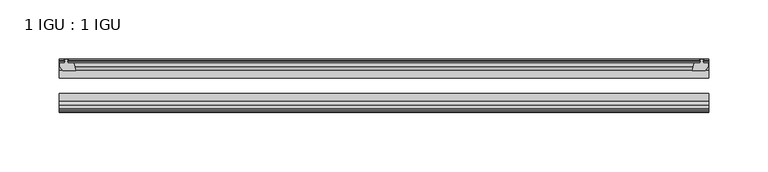
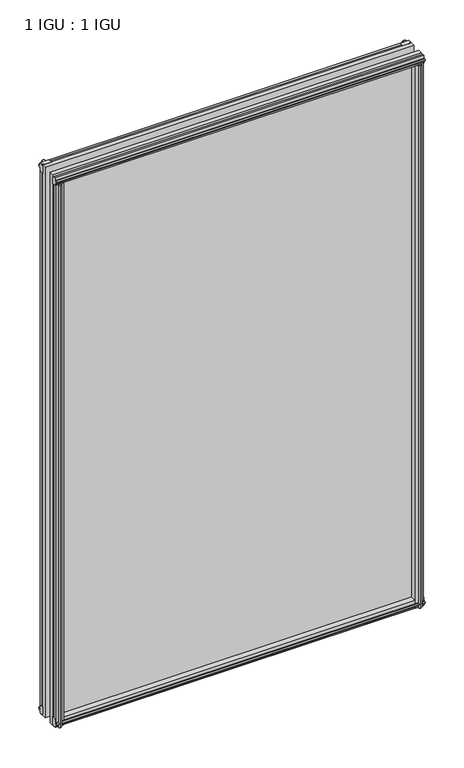
"""IFC4 building model written with IfcOpenShell, lengths in millimetres: plate geometry, 1 IGU : 1 IGU."""

from ifc_helpers import new_model, si_unit, frame, origin, place, context, project, spatial, polyline, outline, extrude, source, transform, mapped, element, save


def plate_1_igu_1_igu_304b6169(model_context):
    return source(origin(), model_context, "Body", "SweptSolid", [
        extrude(outline(polyline([(265.8151775, -10.4746158), (267.9927066, -9.7670938), (270.1702356, -10.4746158), (270.1702356, -11.27583), (268.7547066, -10.8158968), (269.1357066, -13.1960938), (273.5807066, -13.1960938), (273.5807066, -16.1424938), (270.7463644, -19.5460938), (259.9249885, -19.5460938), (261.6427066, -13.1960938), (266.8497066, -13.1960938), (267.2307066, -10.8158968), (265.8151775, -11.27583), (265.8151775, -10.4746158)])), frame((0.0, 0.0, -12.4587), z_axis=(0.0, 0.0, 1.0), x_axis=(1.0, 0.0, 0.0)), (0.0, 0.0, 1.0), 863.1174001),
        extrude(outline(polyline([(-267.9927066, -9.7670937), (-265.8151775, -10.4746158), (-265.8151775, -11.27583), (-267.2307066, -10.8158968), (-266.8497066, -13.1960937), (-261.6427066, -13.1960937), (-259.9249885, -19.5460937), (-270.7463644, -19.5460937), (-273.5807066, -16.1424937), (-273.5807066, -13.1960937), (-269.1357066, -13.1960937), (-268.7547066, -10.8158968), (-270.1702356, -11.27583), (-270.1702356, -10.4746158), (-267.9927066, -9.7670937)])), frame((0.0, 0.0, -12.4587), z_axis=(0.0, 0.0, 1.0), x_axis=(1.0, 0.0, 0.0)), (0.0, 0.0, 1.0), 863.1174001),
        extrude(outline(polyline([(259.4075905, -44.9460938), (270.2289664, -44.9460938), (273.0633085, -48.3496938), (273.0633085, -51.2960938), (268.6183085, -51.2960938), (268.2373085, -53.6762907), (269.6528376, -53.2163575), (269.6528376, -54.0175717), (267.4753085, -54.7250938), (265.2977795, -54.0175717), (265.2977795, -53.2163575), (266.7133085, -53.6762907), (266.3323085, -51.2960938), (261.1253085, -51.2960938), (259.4075905, -44.9460938)])), frame((0.0, 0.0, -12.4587), z_axis=(0.0, 0.0, 1.0), x_axis=(1.0, 0.0, 0.0)), (0.0, 0.0, 1.0), 850.4174001),
        extrude(outline(polyline([(-259.4042885, -44.9460937), (-261.1220066, -51.2960937), (-266.3290066, -51.2960937), (-266.7100066, -53.6762907), (-265.2944775, -53.2163575), (-265.2944775, -54.0175717), (-267.4720066, -54.7250937), (-269.6495356, -54.0175717), (-269.6495356, -53.2163575), (-268.2340066, -53.6762907), (-268.6150066, -51.2960937), (-273.0600066, -51.2960937), (-273.0600066, -48.3496937), (-270.2256644, -44.9460937), (-259.4042885, -44.9460937)])), frame((0.0, 0.0, -12.4587), z_axis=(0.0, 0.0, 1.0), x_axis=(1.0, 0.0, 0.0)), (0.0, 0.0, 1.0), 850.4174001),
        extrude(outline(polyline([(-10.4746158, -4.6931709), (-9.7670937, -6.8707), (-10.4746158, -9.0482291), (-11.27583, -9.0482291), (-10.8158968, -7.6327), (-13.1960937, -8.0137), (-13.1960937, -12.4587), (-16.1424937, -12.4587), (-19.5460937, -9.6243578), (-19.5460937, 1.1970181), (-13.1960937, -0.5207), (-13.1960937, -5.7277), (-10.8158968, -6.1087), (-11.27583, -4.6931709), (-10.4746158, -4.6931709)])), frame((-273.8220066, 0.0, 0.0), z_axis=(1.0, 0.0, 0.0), x_axis=(0.0, 1.0, 0.0)), (0.0, 0.0, 1.0), 547.6440131),
        extrude(outline(polyline([(-44.9460937, 1.7177181), (-44.9460937, -9.1036578), (-48.3496937, -11.938), (-51.2960937, -11.938), (-51.2960937, -7.493), (-53.6762907, -7.112), (-53.2163575, -8.5275291), (-54.0175717, -8.5275291), (-54.7250937, -6.35), (-54.0175717, -4.1724709), (-53.2163575, -4.1724709), (-53.6762907, -5.588), (-51.2960937, -5.207), (-51.2960937, 0.0), (-44.9460937, 1.7177181)])), frame((-273.8220066, 0.0, 0.0), z_axis=(1.0, 0.0, 0.0), x_axis=(0.0, 1.0, 0.0)), (0.0, 0.0, 1.0), 547.6440131),
        extrude(outline(polyline([(-10.8158968, 845.8327001), (-11.27583, 847.2482291), (-10.4746158, 847.2482291), (-9.7670937, 845.0707001), (-10.4746158, 842.893171), (-11.27583, 842.893171), (-10.8158968, 844.3087001), (-13.1960937, 843.9277001), (-13.1960937, 838.7207001), (-19.5460938, 837.002982), (-19.5460938, 847.8243579), (-16.1424937, 850.6587001), (-13.1960937, 850.6587001), (-13.1960937, 846.2137001), (-10.8158968, 845.8327001)])), frame((-273.8220066, 0.0, 0.0), z_axis=(1.0, 0.0, 0.0), x_axis=(0.0, 1.0, 0.0)), (0.0, 0.0, 1.0), 547.6440131),
        extrude(outline(polyline([(-51.2960937, 850.1380001), (-48.3496937, 850.1380001), (-44.9460938, 847.3036579), (-44.9460938, 836.482282), (-51.2960937, 838.2000001), (-51.2960937, 843.4070001), (-53.6762907, 843.7880001), (-53.2163575, 842.372471), (-54.0175717, 842.372471), (-54.7250937, 844.5500001), (-54.0175717, 846.7275291), (-53.2163575, 846.7275291), (-53.6762907, 845.3120001), (-51.2960937, 845.6930001), (-51.2960937, 850.1380001)])), frame((-273.8220066, 0.0, 0.0), z_axis=(1.0, 0.0, 0.0), x_axis=(0.0, 1.0, 0.0)), (0.0, 0.0, 1.0), 547.6440131),
        extrude(outline(polyline([(-273.8220066, -38.9186738), (273.8220066, -38.9186738), (273.8220066, -44.9460937), (-273.8220066, -44.9460937), (-273.8220066, -38.9186738)])), frame((0.0, 0.0, -12.7), z_axis=(0.0, 0.0, 1.0), x_axis=(1.0, 0.0, 0.0)), (0.0, 0.0, 1.0), 863.6000001),
        extrude(outline(polyline([(-273.8220066, -19.5460937), (273.8220066, -19.5460937), (273.8220066, -25.8960938), (-273.8220066, -25.8960938), (-273.8220066, -19.5460937)])), frame((0.0, 0.0, -12.7), z_axis=(0.0, 0.0, 1.0), x_axis=(1.0, 0.0, 0.0)), (0.0, 0.0, 1.0), 863.6000001),
    ])


if __name__ == "__main__":
    model = new_model("IFC4")
    model_context = context("Model", 3, world=origin())
    ifc_project = project(units=[si_unit("LENGTHUNIT", "METRE", prefix="MILLI")], contexts=[model_context])
    site = spatial("IfcSite", under=ifc_project)
    building = spatial("IfcBuilding", under=site)
    placement = place(None, origin())
    plate_1_igu_1_igu_shape = plate_1_igu_1_igu_304b6169(model_context)
    element("IfcPlate", 1, ObjectType="1 IGU : 1 IGU", at=placement, inside=building, context=model_context, shape_type="MappedRepresentation", body=[
        mapped(plate_1_igu_1_igu_shape, transform((0.0, 0.0, 0.0), x_axis=(1.0, 0.0, 0.0), y_axis=(0.0, 1.0, 0.0), z_axis=(0.0, 0.0, 1.0))),
    ])
    save(model, "model.ifc")
